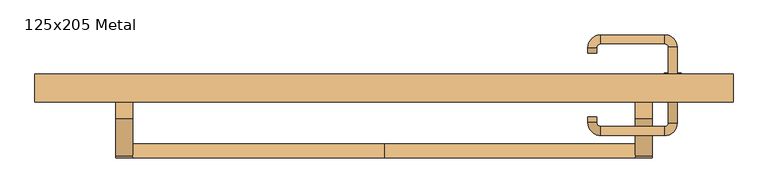
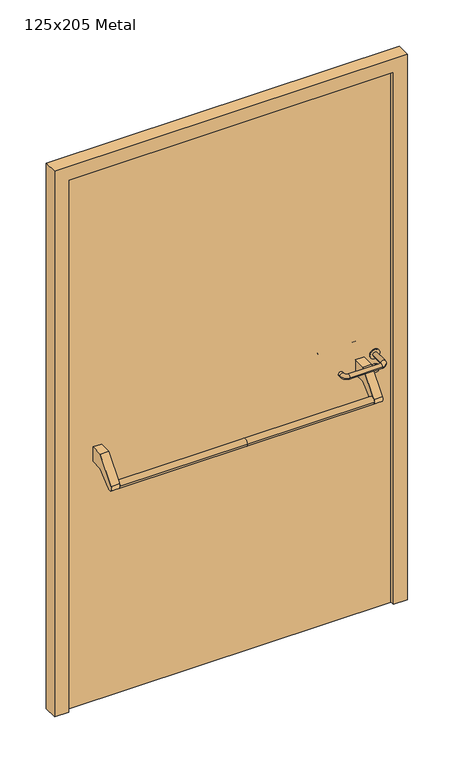
"""IFC4 building model written with IfcOpenShell, lengths in millimetres: door geometry, 125x205 Metal."""

from ifc_helpers import new_model, si_unit, point, frame, frame_2d, origin, origin_with_axes, place, context, project, spatial, polyline, circle_curve, ellipse_curve, trimmed, segment, composite_curve, outline, extrude, source, transform, mapped, element, save
from ifc_brep_helpers import plane_surface, cylinder_surface, revolved_surface, advanced_brep


def door_125x205_metal_6aa04d35(model_context):
    return source(origin(), model_context, "Body", "SolidModel", [
        advanced_brep(
        [(-450.0, 24.5828565, 861.5304884), (-450.0, -0.4171435, 861.5304884), (0.0, 24.5828565, 861.5304884), (0.0, -0.4171435, 861.5304884), (450.0, 24.5828565, 861.5304884), (450.0, -0.4171435, 861.5304884)],
        [
            (0, 1, circle_curve(frame((-450.0, 12.0828565, 861.5304884), z_axis=(-1.0, 0.0, 0.0), x_axis=(0.0, -1.0, 0.0)), 12.5)),
            (1, 0, circle_curve(frame((-450.0, 12.0828565, 861.5304884), z_axis=(-1.0, 0.0, 0.0), x_axis=(0.0, -1.0, 0.0)), 12.5)),
            (0, 2),
            (2, 3, circle_curve(frame((0.0, 12.0828565, 861.5304884), z_axis=(-1.0, 0.0, 0.0), x_axis=(0.0, -1.0, 0.0)), 12.5)),
            (3, 1),
            (3, 2, circle_curve(frame((0.0, 12.0828565, 861.5304884), z_axis=(-1.0, 0.0, 0.0), x_axis=(0.0, -1.0, 0.0)), 12.5)),
            (4, 5, circle_curve(frame((450.0, 12.0828565, 861.5304884), z_axis=(1.0, 0.0, 0.0), x_axis=(0.0, -1.0, 0.0)), 12.5)),
            (5, 4, circle_curve(frame((450.0, 12.0828565, 861.5304884), z_axis=(1.0, 0.0, 0.0), x_axis=(0.0, -1.0, 0.0)), 12.5)),
            (5, 3),
            (2, 4),
        ],
        [
            plane_surface(frame((-450.0, -0.4171435, 861.5304884), z_axis=(-1.0, 0.0, 0.0), x_axis=(0.0, 0.0, -1.0))),
            cylinder_surface(frame((-450.0, 12.0828565, 861.5304884), z_axis=(1.0, 0.0, 0.0), x_axis=(0.0, -1.0, 0.0)), 12.5),
            plane_surface(frame((450.0, -0.4171435, 861.5304884), z_axis=(1.0, 0.0, 0.0), x_axis=(0.0, 0.0, 1.0))),
            cylinder_surface(frame((0.0, 12.0828565, 861.5304884), z_axis=(1.0, 0.0, 0.0), x_axis=(0.0, -1.0, 0.0)), 12.5),
        ],
        [
            (0, [[1, 2]]),
            (1, [[3, 4, 5, -1]]),
            (1, [[-5, 6, -3, -2]]),
            (2, [[7, 8]]),
            (3, [[9, -4, 10, -8]]),
            (3, [[-10, -6, -9, -7]]),
        ],
    ),
        extrude(outline(composite_curve([segment(polyline([(70.0, 950.0), (115.0, 950.0), (115.0, 895.2768379), (71.4513009, 895.2768379), (21.6584121, 853.4956432)]), True, "CONTINUOUS"), segment(trimmed(circle_curve(frame_2d((12.0828565, 861.5304884)), 12.5), [point((21.6584121, 853.4956432))], [point((2.507301, 869.5653335))], False, "CARTESIAN"), True, "CONTINUOUS"), segment(polyline([(2.507301, 869.5653335), (70.0, 950.0)]), True, "CONTINUOUS")], self_intersect=False)), frame((-480.0, 0.0, 0.0), z_axis=(1.0, 0.0, 0.0), x_axis=(0.0, 1.0, 0.0)), (0.0, 0.0, 1.0), 30.0),
        extrude(outline(composite_curve([segment(polyline([(70.0, 950.0), (115.0, 950.0), (115.0, 895.2768379), (71.4513009, 895.2768379), (21.6584121, 853.4956432)]), True, "CONTINUOUS"), segment(trimmed(circle_curve(frame_2d((12.0828565, 861.5304884)), 12.5), [point((21.6584121, 853.4956432))], [point((2.507301, 869.5653335))], False, "CARTESIAN"), True, "CONTINUOUS"), segment(polyline([(2.507301, 869.5653335), (70.0, 950.0)]), True, "CONTINUOUS")], self_intersect=False)), frame((450.0, 0.0, 0.0), z_axis=(1.0, 0.0, 0.0), x_axis=(0.0, 1.0, 0.0)), (0.0, 0.0, 1.0), 30.0),
        extrude(outline(composite_curve([segment(trimmed(circle_curve(frame_2d((897.3605726, 517.0)), 15.0), [point((897.3605726, 532.0))], [point((897.3605726, 502.0))], False, "CARTESIAN"), True, "CONTINUOUS"), segment(trimmed(circle_curve(frame_2d((897.3605726, 517.0)), 15.0), [point((897.3605726, 502.0))], [point((897.3605726, 532.0))], False, "CARTESIAN"), True, "CONTINUOUS")], self_intersect=False), holes=[composite_curve([segment(trimmed(circle_curve(frame_2d((892.5833211, 516.9398032)), 2.0), [point((892.5833211, 518.9398032))], [point((892.5833211, 514.9398032))], True, "CARTESIAN"), True, "CONTINUOUS"), segment(polyline([(892.5833211, 514.9398032), (902.5833211, 514.9398032)]), True, "CONTINUOUS"), segment(trimmed(circle_curve(frame_2d((902.5833211, 516.9398032)), 2.0), [point((902.5833211, 514.9398032))], [point((902.5833211, 518.9398032))], True, "CARTESIAN"), True, "CONTINUOUS"), segment(polyline([(902.5833211, 518.9398032), (892.5833211, 518.9398032)]), True, "CONTINUOUS")], self_intersect=False)]), frame((0.0, 108.65, 0.0), z_axis=(0.0, 1.0, 0.0), x_axis=(0.0, 0.0, 1.0)), (0.0, 0.0, 1.0), 6.35),
        extrude(outline(composite_curve([segment(trimmed(circle_curve(frame_2d((950.0, 517.0)), 17.526), [point((950.0, 534.526))], [point((950.0, 499.474))], False, "CARTESIAN"), True, "CONTINUOUS"), segment(trimmed(circle_curve(frame_2d((950.0, 517.0)), 17.526), [point((950.0, 499.474))], [point((950.0, 534.526))], False, "CARTESIAN"), True, "CONTINUOUS")], self_intersect=False)), frame((0.0, 111.825, 0.0), z_axis=(0.0, 1.0, 0.0), x_axis=(0.0, 0.0, 1.0)), (0.0, 0.0, 1.0), 3.175),
        advanced_brep(
        [(525.0, 115.0, 950.0), (509.0, 115.0, 950.0), (509.0, 62.0, 950.0), (525.0, 62.0, 950.0), (502.8578644, 55.8578644, 950.0), (502.8578644, 39.8578644, 950.0), (387.8578644, 55.8578644, 950.0), (387.8578644, 39.8578644, 950.0), (381.008622, 62.7071068, 950.0), (365.008622, 62.7071068, 950.0), (365.008622, 72.7071068, 950.0), (381.008622, 72.7071068, 950.0)],
        [
            (0, 1, circle_curve(frame((517.0, 115.0, 950.0), z_axis=(0.0, 1.0, 0.0), x_axis=(-1.0, 0.0, 0.0)), 8.0)),
            (1, 0, circle_curve(frame((517.0, 115.0, 950.0), z_axis=(0.0, 1.0, 0.0), x_axis=(-1.0, 0.0, 0.0)), 8.0)),
            (1, 2),
            (2, 3, circle_curve(frame((517.0, 62.0, 950.0), z_axis=(0.0, 1.0, 0.0), x_axis=(-1.0, 0.0, 0.0)), 8.0)),
            (3, 0),
            (3, 2, circle_curve(frame((517.0, 62.0, 950.0), z_axis=(0.0, 1.0, 0.0), x_axis=(-1.0, 0.0, 0.0)), 8.0)),
            (4, 5, circle_curve(frame((502.8578644, 47.8578644, 950.0), z_axis=(1.0, 0.0, 0.0), x_axis=(0.0, 1.0, 0.0)), 8.0)),
            (5, 3, circle_curve(frame((502.8578644, 62.0, 950.0), z_axis=(0.0, 0.0, 1.0), x_axis=(1.0, 0.0, 0.0)), 22.1421356)),
            (2, 4, circle_curve(frame((502.8578644, 62.0, 950.0), z_axis=(0.0, 0.0, -1.0), x_axis=(1.0, 0.0, 0.0)), 6.1421356)),
            (5, 4, circle_curve(frame((502.8578644, 47.8578644, 950.0), z_axis=(1.0, 0.0, 0.0), x_axis=(0.0, 1.0, 0.0)), 8.0)),
            (4, 6),
            (6, 7, circle_curve(frame((387.8578644, 47.8578644, 950.0), z_axis=(1.0, 0.0, 0.0), x_axis=(0.0, 1.0, 0.0)), 8.0)),
            (7, 5),
            (7, 6, circle_curve(frame((387.8578644, 47.8578644, 950.0), z_axis=(1.0, 0.0, 0.0), x_axis=(0.0, 1.0, 0.0)), 8.0)),
            (8, 9, circle_curve(frame((373.008622, 62.7071068, 950.0), z_axis=(0.0, -1.0, 0.0), x_axis=(1.0, 0.0, 0.0)), 8.0)),
            (9, 7, circle_curve(frame((387.8578644, 62.7071068, 950.0), z_axis=(0.0, 0.0, 1.0), x_axis=(0.0, -1.0, 0.0)), 22.8492424)),
            (6, 8, circle_curve(frame((387.8578644, 62.7071068, 950.0), z_axis=(0.0, 0.0, -1.0), x_axis=(0.0, -1.0, 0.0)), 6.8492424)),
            (9, 8, circle_curve(frame((373.008622, 62.7071068, 950.0), z_axis=(0.0, -1.0, 0.0), x_axis=(1.0, 0.0, 0.0)), 8.0)),
            (10, 11, circle_curve(frame((373.008622, 72.7071068, 950.0), z_axis=(0.0, 1.0, 0.0), x_axis=(1.0, 0.0, 0.0)), 8.0)),
            (11, 10, circle_curve(frame((373.008622, 72.7071068, 950.0), z_axis=(0.0, 1.0, 0.0), x_axis=(1.0, 0.0, 0.0)), 8.0)),
            (8, 11),
            (10, 9),
        ],
        [
            plane_surface(frame((517.0, 115.0, 170.0), z_axis=(0.0, 1.0, 0.0), x_axis=(0.0, 0.0, 1.0))),
            cylinder_surface(frame((517.0, 115.0, 950.0), z_axis=(0.0, 1.0, 0.0), x_axis=(-1.0, 0.0, 0.0)), 8.0),
            revolved_surface(trimmed(ellipse_curve(frame((517.0, 62.0, 950.0), z_axis=(0.0, -1.0, 0.0), x_axis=(-1.0, 0.0, 0.0)), 8.0, 8.0), [point((525.0, 62.0, 950.0))], [point((509.0, 62.0, 950.0))], True, "CARTESIAN"), (502.8578644, 62.0, 170.0), (0.0, 0.0, 1.0)),
            revolved_surface(trimmed(ellipse_curve(frame((517.0, 62.0, 950.0), z_axis=(0.0, -1.0, 0.0), x_axis=(-1.0, 0.0, 0.0)), 8.0, 8.0), [point((509.0, 62.0, 950.0))], [point((525.0, 62.0, 950.0))], True, "CARTESIAN"), (502.8578644, 62.0, 170.0), (0.0, 0.0, 1.0)),
            cylinder_surface(frame((502.8578644, 47.8578644, 950.0), z_axis=(1.0, 0.0, 0.0), x_axis=(0.0, 1.0, 0.0)), 8.0),
            revolved_surface(trimmed(ellipse_curve(frame((387.8578644, 47.8578644, 950.0), z_axis=(-1.0, 0.0, 0.0), x_axis=(0.0, 1.0, 0.0)), 8.0, 8.0), [point((387.8578644, 39.8578644, 950.0))], [point((387.8578644, 55.8578644, 950.0))], True, "CARTESIAN"), (387.8578644, 62.7071068, 170.0), (0.0, 0.0, 1.0)),
            revolved_surface(trimmed(ellipse_curve(frame((387.8578644, 47.8578644, 950.0), z_axis=(-1.0, 0.0, 0.0), x_axis=(0.0, 1.0, 0.0)), 8.0, 8.0), [point((387.8578644, 55.8578644, 950.0))], [point((387.8578644, 39.8578644, 950.0))], True, "CARTESIAN"), (387.8578644, 62.7071068, 170.0), (0.0, 0.0, 1.0)),
            plane_surface(frame((373.008622, 72.7071068, 170.0), z_axis=(0.0, 1.0, 0.0), x_axis=(0.0, 0.0, 1.0))),
            cylinder_surface(frame((373.008622, 62.7071068, 950.0), z_axis=(0.0, -1.0, 0.0), x_axis=(1.0, 0.0, 0.0)), 8.0),
        ],
        [
            (0, [[1, 2]]),
            (1, [[3, 4, 5, -2]]),
            (1, [[-5, 6, -3, -1]]),
            (2, [[7, 8, -4, 9]]),
            (3, [[10, -9, -6, -8]]),
            (4, [[11, 12, 13, -7]]),
            (4, [[-13, 14, -11, -10]]),
            (5, [[15, 16, -12, 17]]),
            (6, [[18, -17, -14, -16]]),
            (7, [[19, 20]]),
            (8, [[21, -19, 22, -15]]),
            (8, [[-22, -20, -21, -18]]),
        ],
    ),
        extrude(outline(composite_curve([segment(trimmed(circle_curve(frame_2d((0.0, -15.0)), 15.0), [point((0.0, -30.0))], [point((0.0, 0.0))], False, "CARTESIAN"), True, "CONTINUOUS"), segment(trimmed(circle_curve(frame_2d((0.0, -15.0)), 15.0), [point((0.0, 0.0))], [point((0.0, -30.0))], False, "CARTESIAN"), True, "CONTINUOUS")], self_intersect=False), holes=[composite_curve([segment(trimmed(circle_curve(frame_2d((4.7772515, -14.9398032)), 2.0), [point((4.7772515, -16.9398032))], [point((4.7772515, -12.9398032))], True, "CARTESIAN"), True, "CONTINUOUS"), segment(polyline([(4.7772515, -12.9398032), (-5.2227485, -12.9398032)]), True, "CONTINUOUS"), segment(trimmed(circle_curve(frame_2d((-5.2227485, -14.9398032)), 2.0), [point((-5.2227485, -12.9398032))], [point((-5.2227485, -16.9398032))], True, "CARTESIAN"), True, "CONTINUOUS"), segment(polyline([(-5.2227485, -16.9398032), (4.7772515, -16.9398032)]), True, "CONTINUOUS")], self_intersect=False)]), frame((502.0, 145.0, 897.3605726), z_axis=(1.8870575173328306e-12, 1.0, 0.0), x_axis=(0.0, 0.0, -1.0)), (0.0, 0.0, 1.0), 6.35),
        extrude(outline(composite_curve([segment(trimmed(circle_curve(frame_2d((0.0, -17.526)), 17.526), [point((0.0, -35.052))], [point((0.0, 0.0))], False, "CARTESIAN"), True, "CONTINUOUS"), segment(trimmed(circle_curve(frame_2d((0.0, -17.526)), 17.526), [point((0.0, 0.0))], [point((0.0, -35.052))], False, "CARTESIAN"), True, "CONTINUOUS")], self_intersect=False)), frame((499.474, 145.0, 950.0), z_axis=(1.8870575173328306e-12, 1.0, 0.0), x_axis=(0.0, 0.0, -1.0)), (0.0, 0.0, 1.0), 3.175),
        advanced_brep(
        [(525.0, 145.0, 950.0), (509.0, 145.0, 950.0), (525.0, 198.0, 950.0), (509.0, 198.0, 950.0), (502.8578644, 204.1421356, 950.0), (502.8578644, 220.1421356, 950.0), (387.8578644, 220.1421356, 950.0), (387.8578644, 204.1421356, 950.0), (381.008622, 197.2928932, 950.0), (365.008622, 197.2928932, 950.0), (365.008622, 187.2928932, 950.0), (381.008622, 187.2928932, 950.0)],
        [
            (0, 1, circle_curve(frame((517.0, 145.0, 950.0), z_axis=(-1.888672253512351e-12, -1.0, 0.0), x_axis=(-1.0, 1.888672253512351e-12, 0.0)), 8.0)),
            (1, 0, circle_curve(frame((517.0, 145.0, 950.0), z_axis=(-1.888672253512351e-12, -1.0, 0.0), x_axis=(-1.0, 1.888672253512351e-12, 0.0)), 8.0)),
            (0, 2),
            (2, 3, circle_curve(frame((517.0, 198.0, 950.0), z_axis=(-1.888672253512351e-12, -1.0, 0.0), x_axis=(-1.0, 1.888672253512351e-12, 0.0)), 8.0)),
            (3, 1),
            (3, 2, circle_curve(frame((517.0, 198.0, 950.0), z_axis=(-1.888672253512351e-12, -1.0, 0.0), x_axis=(-1.0, 1.888672253512351e-12, 0.0)), 8.0)),
            (4, 3, circle_curve(frame((502.8578644, 198.0, 950.0), z_axis=(0.0, 0.0, -1.0), x_axis=(1.0, -1.880717803715015e-12, 0.0)), 6.1421356)),
            (2, 5, circle_curve(frame((502.8578644, 198.0, 950.0), z_axis=(0.0, 0.0, 1.0), x_axis=(1.0, -1.880717803715015e-12, 0.0)), 22.1421356)),
            (5, 4, circle_curve(frame((502.8578644, 212.1421356, 950.0), z_axis=(1.0, -1.913702061528922e-12, 0.0), x_axis=(-1.913702061528922e-12, -1.0, 0.0)), 8.0)),
            (4, 5, circle_curve(frame((502.8578644, 212.1421356, 950.0), z_axis=(1.0, -1.913702061528922e-12, 0.0), x_axis=(-1.913702061528922e-12, -1.0, 0.0)), 8.0)),
            (5, 6),
            (6, 7, circle_curve(frame((387.8578644, 212.1421356, 950.0), z_axis=(1.0, -1.913719828541269e-12, 0.0), x_axis=(-1.913719828541269e-12, -1.0, 0.0)), 8.0)),
            (7, 4),
            (7, 6, circle_curve(frame((387.8578644, 212.1421356, 950.0), z_axis=(1.0, -1.913719828541269e-12, 0.0), x_axis=(-1.913719828541269e-12, -1.0, 0.0)), 8.0)),
            (8, 7, circle_curve(frame((387.8578644, 197.2928932, 950.0), z_axis=(0.0, 0.0, -1.0), x_axis=(1.9120873253494017e-12, 1.0, 0.0)), 6.8492424)),
            (6, 9, circle_curve(frame((387.8578644, 197.2928932, 950.0), z_axis=(0.0, 0.0, 1.0), x_axis=(1.9120873253494017e-12, 1.0, 0.0)), 22.8492424)),
            (9, 8, circle_curve(frame((373.008622, 197.2928932, 950.0), z_axis=(1.890670654956676e-12, 1.0, 0.0), x_axis=(1.0, -1.890670654956676e-12, 0.0)), 8.0)),
            (8, 9, circle_curve(frame((373.008622, 197.2928932, 950.0), z_axis=(1.890226565746826e-12, 1.0, 0.0), x_axis=(1.0, -1.890226565746826e-12, 0.0)), 8.0)),
            (10, 11, circle_curve(frame((373.008622, 187.2928932, 950.0), z_axis=(-1.8903642334018795e-12, -1.0, 0.0), x_axis=(1.0, -1.8903642334018795e-12, 0.0)), 8.0)),
            (11, 10, circle_curve(frame((373.008622, 187.2928932, 950.0), z_axis=(-1.8903642334018795e-12, -1.0, 0.0), x_axis=(1.0, -1.8903642334018795e-12, 0.0)), 8.0)),
            (9, 10),
            (11, 8),
        ],
        [
            plane_surface(frame((517.0, 145.0, 170.0), z_axis=(-1.8870575173328306e-12, -1.0, 0.0), x_axis=(0.0, 0.0, 1.0))),
            cylinder_surface(frame((517.0, 145.0, 950.0), z_axis=(-1.888672253512351e-12, -1.0, 0.0), x_axis=(-1.0, 1.888672253512351e-12, 0.0)), 8.0),
            revolved_surface(trimmed(ellipse_curve(frame((517.0, 198.0, 950.0), z_axis=(-1.8823325398945356e-12, -1.0, 0.0), x_axis=(-1.0, 1.8823325398945356e-12, 0.0)), 8.0, 8.0), [point((525.0, 198.0, 950.0))], [point((509.0, 198.0, 950.0))], True, "CARTESIAN"), (502.8578644, 198.0, 170.0), (0.0, 0.0, 1.0)),
            revolved_surface(trimmed(ellipse_curve(frame((517.0, 198.0, 950.0), z_axis=(-1.8823325398945356e-12, -1.0, 0.0), x_axis=(-1.0, 1.8823325398945356e-12, 0.0)), 8.0, 8.0), [point((509.0, 198.0, 950.0))], [point((525.0, 198.0, 950.0))], True, "CARTESIAN"), (502.8578644, 198.0, 170.0), (0.0, 0.0, 1.0)),
            cylinder_surface(frame((502.8578644, 212.1421356, 950.0), z_axis=(1.0, -1.913719828541269e-12, 0.0), x_axis=(-1.913719828541269e-12, -1.0, 0.0)), 8.0),
            revolved_surface(trimmed(ellipse_curve(frame((387.8578644, 212.1421356, 950.0), z_axis=(1.0, -1.913702061528922e-12, 0.0), x_axis=(-1.913702061528922e-12, -1.0, 0.0)), 8.0, 8.0), [point((387.8578644, 220.1421356, 950.0))], [point((387.8578644, 204.1421356, 950.0))], True, "CARTESIAN"), (387.8578644, 197.2928932, 170.0), (0.0, 0.0, 1.0)),
            revolved_surface(trimmed(ellipse_curve(frame((387.8578644, 212.1421356, 950.0), z_axis=(1.0, -1.913702061528922e-12, 0.0), x_axis=(-1.913702061528922e-12, -1.0, 0.0)), 8.0, 8.0), [point((387.8578644, 204.1421356, 950.0))], [point((387.8578644, 220.1421356, 950.0))], True, "CARTESIAN"), (387.8578644, 197.2928932, 170.0), (0.0, 0.0, 1.0)),
            plane_surface(frame((373.008622, 187.2928932, 170.0), z_axis=(-1.8887494972223595e-12, -1.0, 0.0), x_axis=(0.0, 0.0, 1.0))),
            cylinder_surface(frame((373.008622, 197.2928932, 950.0), z_axis=(1.8903642334018795e-12, 1.0, 0.0), x_axis=(1.0, -1.8903642334018795e-12, 0.0)), 8.0),
        ],
        [
            (0, [[1, 2]]),
            (1, [[-1, 3, 4, 5]]),
            (1, [[-2, -5, 6, -3]]),
            (2, [[7, -4, 8, 9]]),
            (3, [[-8, -6, -7, 10]]),
            (4, [[-9, 11, 12, 13]]),
            (4, [[-10, -13, 14, -11]]),
            (5, [[15, -12, 16, 17]]),
            (6, [[-16, -14, -15, 18]]),
            (7, [[19, 20]]),
            (8, [[-17, 21, -20, 22]]),
            (8, [[-18, -22, -19, -21]]),
        ],
    ),
        extrude(outline(polyline([(1990.0, 575.0), (0.0, 575.0), (0.0, 625.0), (2040.0, 625.0), (2040.0, -625.0), (0.0, -625.0), (0.0, -575.0), (1990.0, -575.0), (1990.0, 575.0)])), frame((0.0, 100.0, 0.0), z_axis=(0.0, 1.0, 0.0), x_axis=(0.0, 0.0, 1.0)), (0.0, 0.0, 1.0), 50.0),
        extrude(outline(polyline([(-575.0, 145.0), (575.0, 145.0), (575.0, 115.0), (-575.0, 115.0), (-575.0, 145.0)])), origin_with_axes(), (0.0, 0.0, 1.0), 1990.0),
    ])


if __name__ == "__main__":
    model = new_model("IFC4")
    model_context = context("Model", 3, world=origin())
    ifc_project = project(units=[si_unit("LENGTHUNIT", "METRE", prefix="MILLI")], contexts=[model_context])
    site = spatial("IfcSite", under=ifc_project)
    building = spatial("IfcBuilding", under=site)
    placement = place(None, origin())
    door_125x205_metal_shape = door_125x205_metal_6aa04d35(model_context)
    element("IfcDoor", 1, ObjectType="125x205 Metal", at=placement, inside=building, context=model_context, shape_type="MappedRepresentation", body=[
        mapped(door_125x205_metal_shape, transform((0.0, 0.0, 0.0), x_axis=(1.0, 0.0, 0.0), y_axis=(0.0, 1.0, 0.0), z_axis=(0.0, 0.0, 1.0))),
    ])
    save(model, "model.ifc")
